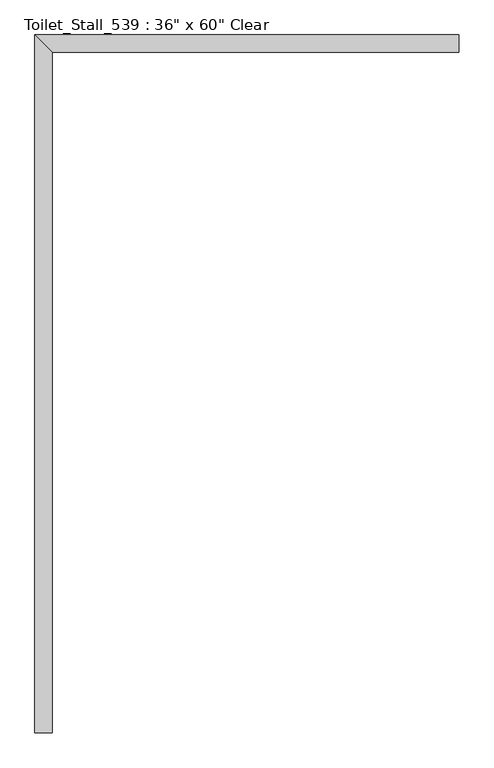
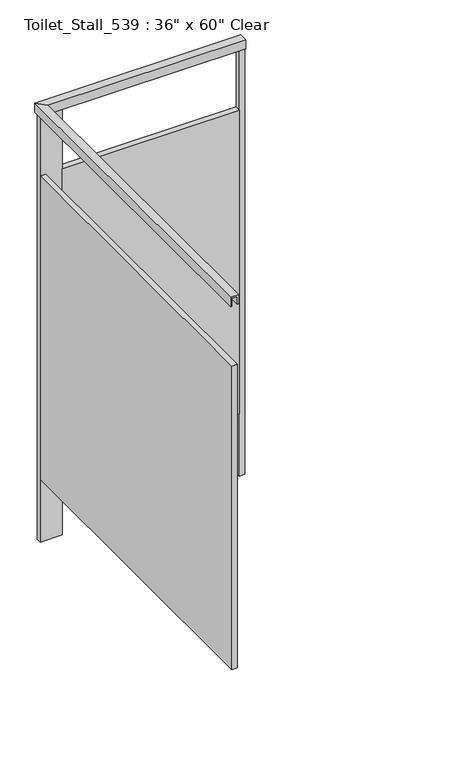
"""IFC4 building model written with IfcOpenShell, lengths in millimetres: proxy geometry."""

import ifcopenshell
import ifcopenshell.guid

model = None  # the IFC model being written
_history = None  # IfcOwnerHistory: only IFC2X3 demands one
_inside = {}  # id of a spatial element -> (the spatial element, [elements in it])
_under = {}  # id of a project, library or spatial element -> (it, [spatial elements below it])
_declared = {}  # id of a project -> (the project, [libraries it declares])
_typed = {}  # id of a type object -> (the type object, [elements of that type])
_made_of = {}  # id of a material, layer set ... -> (it, [elements and type objects made of it])


def new_model(schema):
    """Start an empty IFC model of exactly this schema.

    Asked for "IFC4X3", IfcOpenShell would pick the latest addendum, in which some entities
    have other attributes; the version numbers below select the first issue.
    IFC2X3 requires an IfcOwnerHistory on every rooted entity: one is made here for all.
    """
    global model, _history
    if schema == "IFC4X3":
        model = ifcopenshell.file(schema_version=(4, 3, 0, 0))
    else:
        model = ifcopenshell.file(schema=schema)
    _inside.clear()
    _under.clear()
    _declared.clear()
    _typed.clear()
    _made_of.clear()
    _history = None
    if model.schema == "IFC2X3":
        org = make("IfcOrganization", Name="unknown")
        user = make(
            "IfcPersonAndOrganization",
            ThePerson=make("IfcPerson", FamilyName="unknown"),
            TheOrganization=org,
        )
        app = make(
            "IfcApplication",
            ApplicationDeveloper=org,
            Version="unknown",
            ApplicationFullName="unknown",
            ApplicationIdentifier="unknown",
        )
        _history = make(
            "IfcOwnerHistory",
            OwningUser=user,
            OwningApplication=app,
            ChangeAction="ADDED",
            CreationDate=0,
        )
    return model


def make(cls, **values):
    """One entity of the class cls with the attributes given. An attribute that is None is left unset."""
    return model.create_entity(
        cls, **{name: value for name, value in values.items() if value is not None}
    )


def rooted(cls, **values):
    """An entity with a GlobalId (a new one), such as an element, a storey or a relation."""
    return make(cls, GlobalId=ifcopenshell.guid.new(), OwnerHistory=_history, **values)


def si_unit(unit_type, name, prefix=None):
    """IfcSIUnit, for example si_unit("LENGTHUNIT", "METRE", prefix="MILLI")."""
    return make("IfcSIUnit", UnitType=unit_type, Prefix=prefix, Name=name)


def assignment(units):
    """IfcUnitAssignment: the units of a project."""
    return None if units is None else make("IfcUnitAssignment", Units=units)


def point(xyz):
    """IfcCartesianPoint."""
    return None if xyz is None else make("IfcCartesianPoint", Coordinates=xyz)


def direction(xyz):
    """IfcDirection."""
    return None if xyz is None else make("IfcDirection", DirectionRatios=xyz)


def frame(location, z_axis=None, x_axis=None):
    """IfcAxis2Placement3D, a coordinate frame: its origin and axes. An axis left out is left unset."""
    return make(
        "IfcAxis2Placement3D",
        Location=point(location),
        Axis=direction(z_axis),
        RefDirection=direction(x_axis),
    )


def origin():
    """The frame at (0, 0, 0) with its axes left unset."""
    return frame((0.0, 0.0, 0.0))


def origin_with_axes():
    """The frame at (0, 0, 0) with the z axis (0, 0, 1) and the x axis (1, 0, 0) written out."""
    return frame((0.0, 0.0, 0.0), z_axis=(0.0, 0.0, 1.0), x_axis=(1.0, 0.0, 0.0))


def place(relative_to, where):
    """IfcLocalPlacement: puts the frame where relative to a parent placement (None: the world)."""
    return make(
        "IfcLocalPlacement", PlacementRelTo=relative_to, RelativePlacement=where
    )


def context(
    kind, dimensions, precision=None, world=None, true_north=None, identifier=None
):
    """IfcGeometricRepresentationContext, for example the 3D "Model" context."""
    return make(
        "IfcGeometricRepresentationContext",
        ContextIdentifier=identifier,
        ContextType=kind,
        CoordinateSpaceDimension=dimensions,
        Precision=precision,
        WorldCoordinateSystem=world,
        TrueNorth=true_north,
    )


def project(units=None, contexts=None):
    """IfcProject with its units and contexts."""
    return rooted(
        "IfcProject",
        Name="project",
        RepresentationContexts=contexts,
        UnitsInContext=assignment(units),
    )


def spatial(cls, under=None, at=None, **own):
    """A site, building, storey or space (cls), placed at a placement, below another one or the project."""
    s = rooted(cls, ObjectPlacement=at, **own)
    if under is not None:
        _under.setdefault(under.id(), (under, []))[1].append(s)
    return s


def polyline(points):
    """IfcPolyline through the points."""
    return make("IfcPolyline", Points=[point(p) for p in points])


def outline(outer, holes=None, kind="AREA"):
    """IfcArbitraryClosedProfileDef: a profile drawn as a closed curve; with holes, ...WithVoids."""
    if holes is None:
        return make("IfcArbitraryClosedProfileDef", ProfileType=kind, OuterCurve=outer)
    return make(
        "IfcArbitraryProfileDefWithVoids",
        ProfileType=kind,
        OuterCurve=outer,
        InnerCurves=holes,
    )


def extrude(swept, where, along, depth):
    """IfcExtrudedAreaSolid: the profile swept, set in the frame where, extruded along a direction by depth."""
    return make(
        "IfcExtrudedAreaSolid",
        SweptArea=swept,
        Position=where,
        ExtrudedDirection=direction(along),
        Depth=depth,
    )


def faces_of(points, faces, orient=None, outer=None):
    """IfcFace entities. A face is a list of loops; a loop is a list of indices into points, from 0.

    orient and outer hold one flag for each loop. By default every Orientation is true, the
    first loop of a face is its IfcFaceOuterBound and the others are IfcFaceBound.
    """
    made = []
    for i, loops in enumerate(faces):
        bounds = []
        for j, loop in enumerate(loops):
            is_outer = j == 0 if outer is None else outer[i][j]
            bounds.append(
                make(
                    "IfcFaceOuterBound" if is_outer else "IfcFaceBound",
                    Bound=make("IfcPolyLoop", Polygon=[points[k] for k in loop]),
                    Orientation=True if orient is None else orient[i][j],
                )
            )
        made.append(make("IfcFace", Bounds=bounds))
    return made


def faceted_brep(points, faces, orient=None, outer=None, voids=None):
    """IfcFacetedBrep: a solid bounded by flat faces; with voids (closed shells), ...WithVoids."""
    shared = [point(p) for p in points]
    hull = make("IfcClosedShell", CfsFaces=faces_of(shared, faces, orient, outer))
    if voids is None:
        return make("IfcFacetedBrep", Outer=hull)
    return make(
        "IfcFacetedBrepWithVoids",
        Outer=hull,
        Voids=[
            make(cls, CfsFaces=faces_of(shared, fs, o, b)) for cls, fs, o, b in voids
        ],
    )


def shape(context_of_items, identifier, shape_type, items):
    """IfcShapeRepresentation: the items that make up one representation, for example the "Body"."""
    return make(
        "IfcShapeRepresentation",
        ContextOfItems=context_of_items,
        RepresentationIdentifier=identifier,
        RepresentationType=shape_type,
        Items=items,
    )


def source(mapping_origin, context_of_items, identifier, shape_type, items):
    """IfcRepresentationMap: a shape defined once, which mapped items show again and again."""
    return make(
        "IfcRepresentationMap",
        MappingOrigin=mapping_origin,
        MappedRepresentation=shape(context_of_items, identifier, shape_type, items),
    )


def transform(
    local_origin,
    x_axis=None,
    y_axis=None,
    z_axis=None,
    scale=None,
    scale2=None,
    scale3=None,
    uniform=True,
):
    """IfcCartesianTransformationOperator3D, or its non-uniform kind. x_axis, y_axis, z_axis: its Axis1, 2, 3."""
    if uniform:
        return make(
            "IfcCartesianTransformationOperator3D",
            Axis1=direction(x_axis),
            Axis2=direction(y_axis),
            LocalOrigin=point(local_origin),
            Scale=scale,
            Axis3=direction(z_axis),
        )
    return make(
        "IfcCartesianTransformationOperator3DnonUniform",
        Axis1=direction(x_axis),
        Axis2=direction(y_axis),
        LocalOrigin=point(local_origin),
        Scale=scale,
        Axis3=direction(z_axis),
        Scale2=scale2,
        Scale3=scale3,
    )


def mapped(mapping_source, mapping_target):
    """IfcMappedItem: shows the shape of a source again, moved by a transform."""
    return make(
        "IfcMappedItem", MappingSource=mapping_source, MappingTarget=mapping_target
    )


def made_of(thing, what):
    """Note that an element or type object is made of a material, layer set ...; save() writes the relation."""
    if what is not None:
        _made_of.setdefault(what.id(), (what, []))[1].append(thing)
    return thing


def element(
    cls,
    number,
    at=None,
    inside=None,
    cuts=None,
    type_object=None,
    material=None,
    context=None,
    identifier="Body",
    shape_type=None,
    held_by="IfcProductDefinitionShape",
    body=None,
    shapes=None,
    **own,
):
    """One element of the class cls, such as IfcWall. Its Tag is "e" and its number.

    at: its placement. inside: the storey or other place that contains it. cuts: it is an
    opening in that element (IfcRelVoidsElement). A single representation is given by context,
    identifier, shape_type and body (its items); several are given by shapes. held_by: the class
    of the entity that holds the representations. save() writes the other relations.
    """
    e = rooted(cls, Tag="e%d" % number, ObjectPlacement=at, **own)
    if body is not None:
        shapes = [shape(context, identifier, shape_type, body)]
    if shapes is not None:
        e.Representation = make(held_by, Representations=shapes)
    if inside is not None:
        _inside.setdefault(inside.id(), (inside, []))[1].append(e)
    if cuts is not None:
        rooted(
            "IfcRelVoidsElement", RelatingBuildingElement=cuts, RelatedOpeningElement=e
        )
    if type_object is not None:
        _typed.setdefault(type_object.id(), (type_object, []))[1].append(e)
    return made_of(e, material)


def aggregate(whole, parts):
    """IfcRelAggregates: a whole, such as a stair, and the parts it consists of."""
    return rooted("IfcRelAggregates", RelatingObject=whole, RelatedObjects=parts)


def save(model, path):
    """Write the relations noted so far, then the file.

    IfcRelAggregates (storeys below a building ...), IfcRelContainedInSpatialStructure (elements
    in a storey), IfcRelDefinesByType, IfcRelAssociatesMaterial and IfcRelDeclares: one each for
    every whole, place, type object, material and project.
    """
    for whole, parts in _under.values():
        aggregate(whole, parts)
    for where, things in _inside.values():
        rooted(
            "IfcRelContainedInSpatialStructure",
            RelatedElements=things,
            RelatingStructure=where,
        )
    for kind, things in _typed.values():
        rooted("IfcRelDefinesByType", RelatedObjects=things, RelatingType=kind)
    for what, things in _made_of.values():
        rooted("IfcRelAssociatesMaterial", RelatedObjects=things, RelatingMaterial=what)
    for by, libraries in _declared.values():
        rooted("IfcRelDeclares", RelatingContext=by, RelatedDefinitions=libraries)
    model.write(path)


def proxy_d8031359(model_context):
    return source(origin(), model_context, "Body", "SolidModel", [
        faceted_brep([(-77.6968462, 61.9125, 2108.2), (-52.2968462, 61.9125, 2108.2), (-52.2968462, 61.9125, 2070.1), (-45.9468462, 61.9125, 2070.1), (-45.9468462, 61.9125, 2114.55), (-84.0468462, 61.9125, 2114.55), (-84.0468462, 61.9125, 2070.1), (-77.6968462, 61.9125, 2070.1), (-77.6968462, 1611.3125, 2108.2), (-52.2968462, 1585.9125, 2108.2), (-52.2968462, 1585.9125, 2070.1), (-45.9468462, 1579.5625, 2070.1), (-45.9468462, 1579.5625, 2114.55), (-84.0468462, 1617.6625, 2114.55), (-84.0468462, 1617.6625, 2070.1), (-77.6968462, 1611.3125, 2070.1), (862.1031538, 1611.3125, 2108.2), (862.1031538, 1611.3125, 2070.1), (862.1031538, 1617.6625, 2070.1), (862.1031538, 1617.6625, 2114.55), (862.1031538, 1579.5625, 2114.55), (862.1031538, 1579.5625, 2070.1), (862.1031538, 1585.9125, 2070.1), (862.1031538, 1585.9125, 2108.2)], [[[0, 1, 2, 3, 4, 5, 6, 7]], [[1, 0, 8, 9]], [[2, 1, 9, 10]], [[3, 2, 10, 11]], [[4, 3, 11, 12]], [[5, 4, 12, 13]], [[6, 5, 13, 14]], [[7, 6, 14, 15]], [[0, 7, 15, 8]], [[16, 17, 18, 19, 20, 21, 22, 23]], [[9, 8, 16, 23]], [[10, 9, 23, 22]], [[11, 10, 22, 21]], [[12, 11, 21, 20]], [[13, 12, 20, 19]], [[14, 13, 19, 18]], [[15, 14, 18, 17]], [[8, 15, 17, 16]]]),
        extrude(outline(polyline([(836.7031538, 1611.3125), (836.7031538, 1585.9125), (23.9031538, 1585.9125), (23.9031538, 1611.3125), (836.7031538, 1611.3125)])), frame((0.0, 0.0, 304.8), z_axis=(0.0, 0.0, 1.0), x_axis=(1.0, 0.0, 0.0)), (0.0, 0.0, 1.0), 1473.2),
        extrude(outline(polyline([(23.9031538, 1611.3125), (23.9031538, 1585.9125), (-77.6968462, 1585.9125), (-77.6968462, 1611.3125), (23.9031538, 1611.3125)])), origin_with_axes(), (0.0, 0.0, 1.0), 2108.2),
        extrude(outline(polyline([(862.1031538, 1611.3125), (862.1031538, 1585.9125), (836.7031538, 1585.9125), (836.7031538, 1611.3125), (862.1031538, 1611.3125)])), origin_with_axes(), (0.0, 0.0, 1.0), 2108.2),
        extrude(outline(polyline([(-77.6968462, 1585.9125), (-52.2968462, 1585.9125), (-52.2968462, 63.5), (-77.6968462, 63.5), (-77.6968462, 1585.9125)])), frame((0.0, 0.0, 304.8), z_axis=(0.0, 0.0, 1.0), x_axis=(1.0, 0.0, 0.0)), (0.0, 0.0, 1.0), 1473.2),
    ])


if __name__ == "__main__":
    model = new_model("IFC4")
    model_context = context("Model", 3, world=origin())
    ifc_project = project(units=[si_unit("LENGTHUNIT", "METRE", prefix="MILLI")], contexts=[model_context])
    site = spatial("IfcSite", under=ifc_project)
    building = spatial("IfcBuilding", under=site)
    placement = place(None, origin())
    proxy_shape = proxy_d8031359(model_context)
    element("IfcBuildingElementProxy", 1, Name="Toilet_Stall_539 : 36\" x 60\" Clear", ObjectType="Toilet_Stall_539 : 36\" x 60\" Clear", at=placement, inside=building, context=model_context, shape_type="MappedRepresentation", body=[
        mapped(proxy_shape, transform((0.0, 0.0, 0.0), x_axis=(1.0, 0.0, 0.0), y_axis=(0.0, 1.0, 0.0), z_axis=(0.0, 0.0, 1.0))),
    ])
    save(model, "model.ifc")
